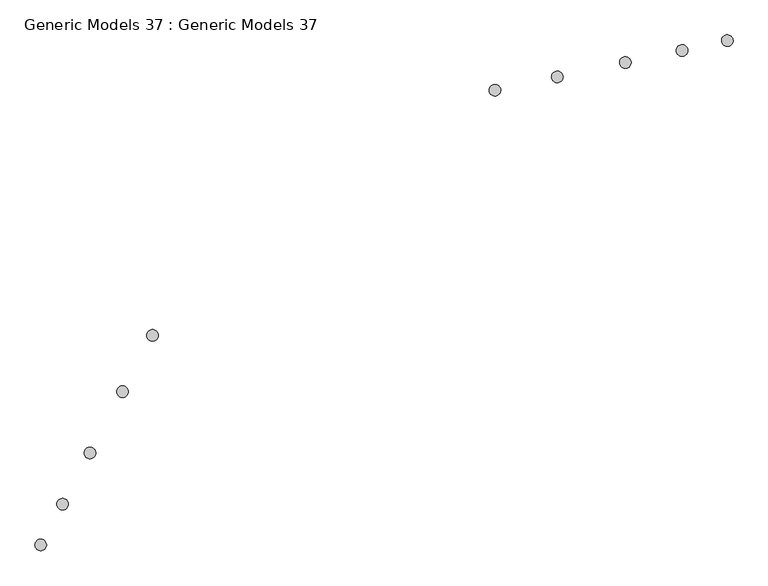
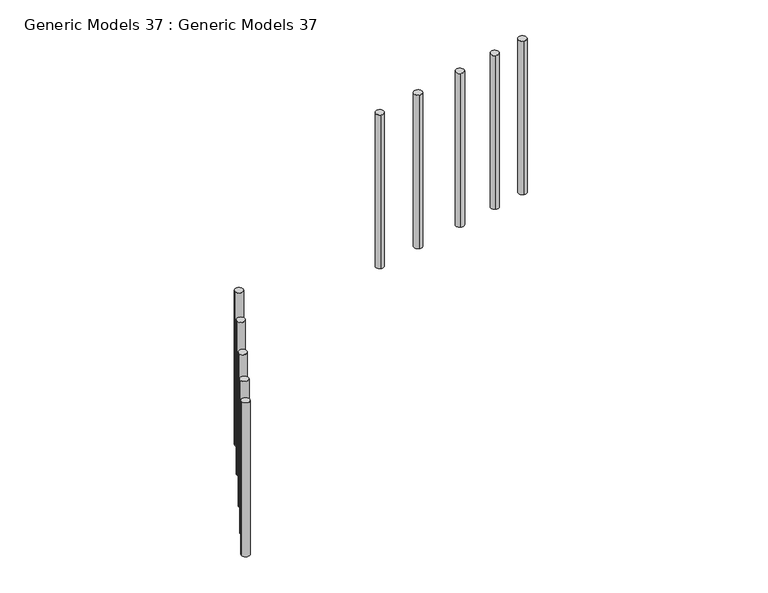
"""IFC4 building model written with IfcOpenShell, lengths in millimetres: proxy geometry, Generic Models 37 : Generic Models 37."""

from ifc_helpers import new_model, si_unit, point, frame, frame_2d, origin, place, context, project, spatial, circle_curve, trimmed, segment, composite_curve, outline, extrude, source, transform, mapped, element, save


def generic_models_37_generic_models_37_da9ebf34(model_context):
    return source(origin(), model_context, "Body", "SweptSolid", [
        extrude(outline(composite_curve([segment(trimmed(circle_curve(frame_2d((-171612.079751, -44349.3523529)), 100.0), [point((-171712.079751, -44349.3523529))], [point((-171512.079751, -44349.3523529))], False, "CARTESIAN"), True, "CONTINUOUS"), segment(trimmed(circle_curve(frame_2d((-171612.079751, -44349.3523529)), 100.0), [point((-171512.079751, -44349.3523529))], [point((-171712.079751, -44349.3523529))], False, "CARTESIAN"), True, "CONTINUOUS")], self_intersect=False)), frame((0.0, 0.0, 680.0), z_axis=(0.0, 0.0, 1.0), x_axis=(1.0, 0.0, 0.0)), (0.0, 0.0, 1.0), 4000.0),
        extrude(outline(composite_curve([segment(trimmed(circle_curve(frame_2d((-172128.3416209, -45320.678087)), 100.0), [point((-172228.3416209, -45320.678087))], [point((-172028.3416209, -45320.678087))], False, "CARTESIAN"), True, "CONTINUOUS"), segment(trimmed(circle_curve(frame_2d((-172128.3416209, -45320.678087)), 100.0), [point((-172028.3416209, -45320.678087))], [point((-172228.3416209, -45320.678087))], False, "CARTESIAN"), True, "CONTINUOUS")], self_intersect=False)), frame((0.0, 0.0, 680.0), z_axis=(0.0, 0.0, 1.0), x_axis=(1.0, 0.0, 0.0)), (0.0, 0.0, 1.0), 4000.0),
        extrude(outline(composite_curve([segment(trimmed(circle_curve(frame_2d((-172691.536388, -46380.3061606)), 100.0), [point((-172791.536388, -46380.3061606))], [point((-172591.536388, -46380.3061606))], False, "CARTESIAN"), True, "CONTINUOUS"), segment(trimmed(circle_curve(frame_2d((-172691.536388, -46380.3061606)), 100.0), [point((-172591.536388, -46380.3061606))], [point((-172791.536388, -46380.3061606))], False, "CARTESIAN"), True, "CONTINUOUS")], self_intersect=False)), frame((0.0, 0.0, 680.0), z_axis=(0.0, 0.0, 1.0), x_axis=(1.0, 0.0, 0.0)), (0.0, 0.0, 1.0), 4000.0),
        extrude(outline(composite_curve([segment(trimmed(circle_curve(frame_2d((-173160.8653606, -47263.3295552)), 100.0), [point((-173260.8653606, -47263.3295552))], [point((-173060.8653606, -47263.3295552))], False, "CARTESIAN"), True, "CONTINUOUS"), segment(trimmed(circle_curve(frame_2d((-173160.8653606, -47263.3295552)), 100.0), [point((-173060.8653606, -47263.3295552))], [point((-173260.8653606, -47263.3295552))], False, "CARTESIAN"), True, "CONTINUOUS")], self_intersect=False)), frame((0.0, 0.0, 680.0), z_axis=(0.0, 0.0, 1.0), x_axis=(1.0, 0.0, 0.0)), (0.0, 0.0, 1.0), 4000.0),
        extrude(outline(composite_curve([segment(trimmed(circle_curve(frame_2d((-173539.8329464, -47967.8744927)), 100.0), [point((-173639.8329464, -47967.8744927))], [point((-173439.8329464, -47967.8744927))], False, "CARTESIAN"), True, "CONTINUOUS"), segment(trimmed(circle_curve(frame_2d((-173539.8329464, -47967.8744927)), 100.0), [point((-173439.8329464, -47967.8744927))], [point((-173639.8329464, -47967.8744927))], False, "CARTESIAN"), True, "CONTINUOUS")], self_intersect=False)), frame((0.0, 0.0, 680.0), z_axis=(0.0, 0.0, 1.0), x_axis=(1.0, 0.0, 0.0)), (0.0, 0.0, 1.0), 4000.0),
        extrude(outline(composite_curve([segment(trimmed(circle_curve(frame_2d((-165702.5575705, -40114.7576303)), 100.0), [point((-165674.9938349, -40018.6314607))], [point((-165730.1213061, -40210.8837999))], False, "CARTESIAN"), True, "CONTINUOUS"), segment(trimmed(circle_curve(frame_2d((-165702.5575705, -40114.7576303)), 100.0), [point((-165730.1213061, -40210.8837999))], [point((-165674.9938349, -40018.6314607))], False, "CARTESIAN"), True, "CONTINUOUS")], self_intersect=False)), frame((0.0, 0.0, 680.0), z_axis=(0.0, 0.0, 1.0), x_axis=(1.0, 0.0, 0.0)), (0.0, 0.0, 1.0), 4000.0),
        extrude(outline(composite_curve([segment(trimmed(circle_curve(frame_2d((-164626.5582913, -39886.2285267)), 100.0), [point((-164598.9945557, -39790.1023571))], [point((-164654.1220269, -39982.3546963))], False, "CARTESIAN"), True, "CONTINUOUS"), segment(trimmed(circle_curve(frame_2d((-164626.5582913, -39886.2285267)), 100.0), [point((-164654.1220269, -39982.3546963))], [point((-164598.9945557, -39790.1023571))], False, "CARTESIAN"), True, "CONTINUOUS")], self_intersect=False)), frame((0.0, 0.0, 680.0), z_axis=(0.0, 0.0, 1.0), x_axis=(1.0, 0.0, 0.0)), (0.0, 0.0, 1.0), 4000.0),
        extrude(outline(composite_curve([segment(trimmed(circle_curve(frame_2d((-163452.7408958, -39636.9240501)), 100.0), [point((-163425.1771602, -39540.7978805))], [point((-163480.3046314, -39733.0502196))], False, "CARTESIAN"), True, "CONTINUOUS"), segment(trimmed(circle_curve(frame_2d((-163452.7408958, -39636.9240501)), 100.0), [point((-163480.3046314, -39733.0502196))], [point((-163425.1771602, -39540.7978805))], False, "CARTESIAN"), True, "CONTINUOUS")], self_intersect=False)), frame((0.0, 0.0, 680.0), z_axis=(0.0, 0.0, 1.0), x_axis=(1.0, 0.0, 0.0)), (0.0, 0.0, 1.0), 4000.0),
        extrude(outline(composite_curve([segment(trimmed(circle_curve(frame_2d((-162474.5597329, -39429.1703195)), 100.0), [point((-162446.9959974, -39333.0441499))], [point((-162502.1234685, -39525.2964891))], False, "CARTESIAN"), True, "CONTINUOUS"), segment(trimmed(circle_curve(frame_2d((-162474.5597329, -39429.1703195)), 100.0), [point((-162502.1234685, -39525.2964891))], [point((-162446.9959974, -39333.0441499))], False, "CARTESIAN"), True, "CONTINUOUS")], self_intersect=False)), frame((0.0, 0.0, 680.0), z_axis=(0.0, 0.0, 1.0), x_axis=(1.0, 0.0, 0.0)), (0.0, 0.0, 1.0), 4000.0),
        extrude(outline(composite_curve([segment(trimmed(circle_curve(frame_2d((-161692.8500482, -39259.0821989)), 100.0), [point((-161665.2863126, -39162.9560293))], [point((-161720.4137838, -39355.2083685))], False, "CARTESIAN"), True, "CONTINUOUS"), segment(trimmed(circle_curve(frame_2d((-161692.8500482, -39259.0821989)), 100.0), [point((-161720.4137838, -39355.2083685))], [point((-161665.2863126, -39162.9560293))], False, "CARTESIAN"), True, "CONTINUOUS")], self_intersect=False)), frame((0.0, 0.0, 680.0), z_axis=(0.0, 0.0, 1.0), x_axis=(1.0, 0.0, 0.0)), (0.0, 0.0, 1.0), 4000.0),
    ])


if __name__ == "__main__":
    model = new_model("IFC4")
    model_context = context("Model", 3, world=origin())
    ifc_project = project(units=[si_unit("LENGTHUNIT", "METRE", prefix="MILLI")], contexts=[model_context])
    site = spatial("IfcSite", under=ifc_project)
    building = spatial("IfcBuilding", under=site)
    placement = place(None, origin())
    generic_models_37_generic_models_37_shape = generic_models_37_generic_models_37_da9ebf34(model_context)
    element("IfcBuildingElementProxy", 1, Name="Generic Models 37 : Generic Models 37", ObjectType="Generic Models 37 : Generic Models 37", at=placement, inside=building, context=model_context, shape_type="MappedRepresentation", body=[
        mapped(generic_models_37_generic_models_37_shape, transform((0.0, 0.0, 0.0), x_axis=(1.0, 0.0, 0.0), y_axis=(0.0, 1.0, 0.0), z_axis=(0.0, 0.0, 1.0))),
    ])
    save(model, "model.ifc")
